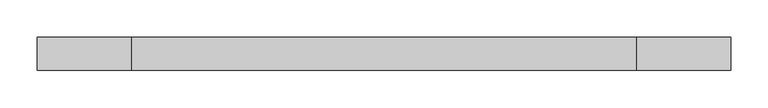
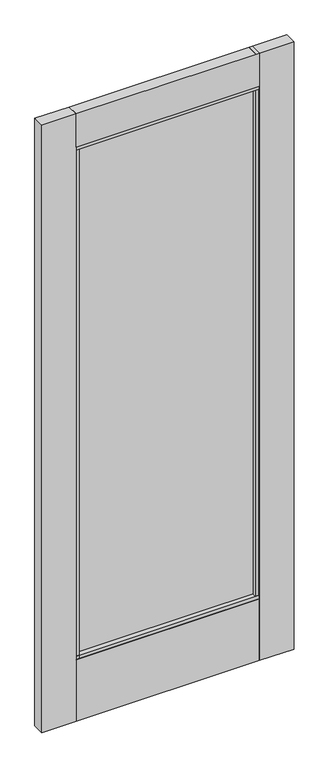
"""IFC4 building model written with IfcOpenShell, lengths in millimetres: plate geometry."""

import ifcopenshell
import ifcopenshell.guid

model = None  # the IFC model being written
_history = None  # IfcOwnerHistory: only IFC2X3 demands one
_inside = {}  # id of a spatial element -> (the spatial element, [elements in it])
_under = {}  # id of a project, library or spatial element -> (it, [spatial elements below it])
_declared = {}  # id of a project -> (the project, [libraries it declares])
_typed = {}  # id of a type object -> (the type object, [elements of that type])
_made_of = {}  # id of a material, layer set ... -> (it, [elements and type objects made of it])


def new_model(schema):
    """Start an empty IFC model of exactly this schema.

    Asked for "IFC4X3", IfcOpenShell would pick the latest addendum, in which some entities
    have other attributes; the version numbers below select the first issue.
    IFC2X3 requires an IfcOwnerHistory on every rooted entity: one is made here for all.
    """
    global model, _history
    if schema == "IFC4X3":
        model = ifcopenshell.file(schema_version=(4, 3, 0, 0))
    else:
        model = ifcopenshell.file(schema=schema)
    _inside.clear()
    _under.clear()
    _declared.clear()
    _typed.clear()
    _made_of.clear()
    _history = None
    if model.schema == "IFC2X3":
        org = make("IfcOrganization", Name="unknown")
        user = make(
            "IfcPersonAndOrganization",
            ThePerson=make("IfcPerson", FamilyName="unknown"),
            TheOrganization=org,
        )
        app = make(
            "IfcApplication",
            ApplicationDeveloper=org,
            Version="unknown",
            ApplicationFullName="unknown",
            ApplicationIdentifier="unknown",
        )
        _history = make(
            "IfcOwnerHistory",
            OwningUser=user,
            OwningApplication=app,
            ChangeAction="ADDED",
            CreationDate=0,
        )
    return model


def make(cls, **values):
    """One entity of the class cls with the attributes given. An attribute that is None is left unset."""
    return model.create_entity(
        cls, **{name: value for name, value in values.items() if value is not None}
    )


def rooted(cls, **values):
    """An entity with a GlobalId (a new one), such as an element, a storey or a relation."""
    return make(cls, GlobalId=ifcopenshell.guid.new(), OwnerHistory=_history, **values)


def si_unit(unit_type, name, prefix=None):
    """IfcSIUnit, for example si_unit("LENGTHUNIT", "METRE", prefix="MILLI")."""
    return make("IfcSIUnit", UnitType=unit_type, Prefix=prefix, Name=name)


def assignment(units):
    """IfcUnitAssignment: the units of a project."""
    return None if units is None else make("IfcUnitAssignment", Units=units)


def point(xyz):
    """IfcCartesianPoint."""
    return None if xyz is None else make("IfcCartesianPoint", Coordinates=xyz)


def direction(xyz):
    """IfcDirection."""
    return None if xyz is None else make("IfcDirection", DirectionRatios=xyz)


def frame(location, z_axis=None, x_axis=None):
    """IfcAxis2Placement3D, a coordinate frame: its origin and axes. An axis left out is left unset."""
    return make(
        "IfcAxis2Placement3D",
        Location=point(location),
        Axis=direction(z_axis),
        RefDirection=direction(x_axis),
    )


def origin():
    """The frame at (0, 0, 0) with its axes left unset."""
    return frame((0.0, 0.0, 0.0))


def place(relative_to, where):
    """IfcLocalPlacement: puts the frame where relative to a parent placement (None: the world)."""
    return make(
        "IfcLocalPlacement", PlacementRelTo=relative_to, RelativePlacement=where
    )


def context(
    kind, dimensions, precision=None, world=None, true_north=None, identifier=None
):
    """IfcGeometricRepresentationContext, for example the 3D "Model" context."""
    return make(
        "IfcGeometricRepresentationContext",
        ContextIdentifier=identifier,
        ContextType=kind,
        CoordinateSpaceDimension=dimensions,
        Precision=precision,
        WorldCoordinateSystem=world,
        TrueNorth=true_north,
    )


def project(units=None, contexts=None):
    """IfcProject with its units and contexts."""
    return rooted(
        "IfcProject",
        Name="project",
        RepresentationContexts=contexts,
        UnitsInContext=assignment(units),
    )


def spatial(cls, under=None, at=None, **own):
    """A site, building, storey or space (cls), placed at a placement, below another one or the project."""
    s = rooted(cls, ObjectPlacement=at, **own)
    if under is not None:
        _under.setdefault(under.id(), (under, []))[1].append(s)
    return s


def polyline(points):
    """IfcPolyline through the points."""
    return make("IfcPolyline", Points=[point(p) for p in points])


def outline(outer, holes=None, kind="AREA"):
    """IfcArbitraryClosedProfileDef: a profile drawn as a closed curve; with holes, ...WithVoids."""
    if holes is None:
        return make("IfcArbitraryClosedProfileDef", ProfileType=kind, OuterCurve=outer)
    return make(
        "IfcArbitraryProfileDefWithVoids",
        ProfileType=kind,
        OuterCurve=outer,
        InnerCurves=holes,
    )


def extrude(swept, where, along, depth):
    """IfcExtrudedAreaSolid: the profile swept, set in the frame where, extruded along a direction by depth."""
    return make(
        "IfcExtrudedAreaSolid",
        SweptArea=swept,
        Position=where,
        ExtrudedDirection=direction(along),
        Depth=depth,
    )


def shape(context_of_items, identifier, shape_type, items):
    """IfcShapeRepresentation: the items that make up one representation, for example the "Body"."""
    return make(
        "IfcShapeRepresentation",
        ContextOfItems=context_of_items,
        RepresentationIdentifier=identifier,
        RepresentationType=shape_type,
        Items=items,
    )


def source(mapping_origin, context_of_items, identifier, shape_type, items):
    """IfcRepresentationMap: a shape defined once, which mapped items show again and again."""
    return make(
        "IfcRepresentationMap",
        MappingOrigin=mapping_origin,
        MappedRepresentation=shape(context_of_items, identifier, shape_type, items),
    )


def transform(
    local_origin,
    x_axis=None,
    y_axis=None,
    z_axis=None,
    scale=None,
    scale2=None,
    scale3=None,
    uniform=True,
):
    """IfcCartesianTransformationOperator3D, or its non-uniform kind. x_axis, y_axis, z_axis: its Axis1, 2, 3."""
    if uniform:
        return make(
            "IfcCartesianTransformationOperator3D",
            Axis1=direction(x_axis),
            Axis2=direction(y_axis),
            LocalOrigin=point(local_origin),
            Scale=scale,
            Axis3=direction(z_axis),
        )
    return make(
        "IfcCartesianTransformationOperator3DnonUniform",
        Axis1=direction(x_axis),
        Axis2=direction(y_axis),
        LocalOrigin=point(local_origin),
        Scale=scale,
        Axis3=direction(z_axis),
        Scale2=scale2,
        Scale3=scale3,
    )


def mapped(mapping_source, mapping_target):
    """IfcMappedItem: shows the shape of a source again, moved by a transform."""
    return make(
        "IfcMappedItem", MappingSource=mapping_source, MappingTarget=mapping_target
    )


def made_of(thing, what):
    """Note that an element or type object is made of a material, layer set ...; save() writes the relation."""
    if what is not None:
        _made_of.setdefault(what.id(), (what, []))[1].append(thing)
    return thing


def element(
    cls,
    number,
    at=None,
    inside=None,
    cuts=None,
    type_object=None,
    material=None,
    context=None,
    identifier="Body",
    shape_type=None,
    held_by="IfcProductDefinitionShape",
    body=None,
    shapes=None,
    **own,
):
    """One element of the class cls, such as IfcWall. Its Tag is "e" and its number.

    at: its placement. inside: the storey or other place that contains it. cuts: it is an
    opening in that element (IfcRelVoidsElement). A single representation is given by context,
    identifier, shape_type and body (its items); several are given by shapes. held_by: the class
    of the entity that holds the representations. save() writes the other relations.
    """
    e = rooted(cls, Tag="e%d" % number, ObjectPlacement=at, **own)
    if body is not None:
        shapes = [shape(context, identifier, shape_type, body)]
    if shapes is not None:
        e.Representation = make(held_by, Representations=shapes)
    if inside is not None:
        _inside.setdefault(inside.id(), (inside, []))[1].append(e)
    if cuts is not None:
        rooted(
            "IfcRelVoidsElement", RelatingBuildingElement=cuts, RelatedOpeningElement=e
        )
    if type_object is not None:
        _typed.setdefault(type_object.id(), (type_object, []))[1].append(e)
    return made_of(e, material)


def aggregate(whole, parts):
    """IfcRelAggregates: a whole, such as a stair, and the parts it consists of."""
    return rooted("IfcRelAggregates", RelatingObject=whole, RelatedObjects=parts)


def save(model, path):
    """Write the relations noted so far, then the file.

    IfcRelAggregates (storeys below a building ...), IfcRelContainedInSpatialStructure (elements
    in a storey), IfcRelDefinesByType, IfcRelAssociatesMaterial and IfcRelDeclares: one each for
    every whole, place, type object, material and project.
    """
    for whole, parts in _under.values():
        aggregate(whole, parts)
    for where, things in _inside.values():
        rooted(
            "IfcRelContainedInSpatialStructure",
            RelatedElements=things,
            RelatingStructure=where,
        )
    for kind, things in _typed.values():
        rooted("IfcRelDefinesByType", RelatedObjects=things, RelatingType=kind)
    for what, things in _made_of.values():
        rooted("IfcRelAssociatesMaterial", RelatedObjects=things, RelatingMaterial=what)
    for by, libraries in _declared.values():
        rooted("IfcRelDeclares", RelatingContext=by, RelatedDefinitions=libraries)
    model.write(path)


def plate_4166e9ba(model_context):
    return source(origin(), model_context, "Body", "SweptSolid", [
        extrude(outline(polyline([(-15.875, 2396.6969027), (28.575, 2396.6969027), (28.575, 2266.5396827), (27.0151195, 2266.5396827), (27.0151195, 2253.8368887), (13.3499195, 2253.8368887), (13.3499195, 2265.7431387), (-0.3402584, 2265.7431387), (-0.3402584, 2253.8368887), (-14.0054584, 2253.8368887), (-14.0054584, 2266.5396827), (-15.875, 2266.5396827), (-15.875, 2396.6969027)]), holes=[polyline([(26.19375, 2268.9209327), (26.19375, 2394.3156527), (-13.49375, 2394.3156527), (-13.49375, 2268.9209327), (-11.6242084, 2268.9209327), (-11.6242084, 2256.2181387), (-2.7215084, 2256.2181387), (-2.7215084, 2268.1243887), (15.7311695, 2268.1243887), (15.7311695, 2256.2181387), (24.6338695, 2256.2181387), (24.6338695, 2268.9209327), (26.19375, 2268.9209327)])]), frame((-339.4976607, 0.0, 0.0), z_axis=(1.0, 0.0, 0.0), x_axis=(0.0, 1.0, 0.0)), (0.0, 0.0, 1.0), 679.005437),
        extrude(outline(polyline([(-467.3047013, 28.575), (-339.4976607, 28.575), (-339.4976607, 27.0151195), (-326.7976607, 27.0151195), (-326.7976607, -14.0054584), (-339.4976607, -14.0054584), (-339.4976607, -15.875), (-467.3047013, -15.875), (-467.3047013, 28.575)])), frame((0.0, 0.0, 17.4625), z_axis=(0.0, 0.0, 1.0), x_axis=(1.0, 0.0, 0.0)), (0.0, 0.0, 1.0), 2379.2344027),
        extrude(outline(polyline([(-335.189197, 3.3883145), (-335.189197, 9.7383145), (331.5888188, 9.7383145), (331.5888188, 3.3883145), (-335.189197, 3.3883145)])), frame((0.0, 0.0, 263.906), z_axis=(0.0, 0.0, 1.0), x_axis=(1.0, 0.0, 0.0)), (0.0, 0.0, 1.0), 1997.8683887),
        extrude(outline(polyline([(467.3047013, 28.575), (467.3047013, -15.875), (339.5077763, -15.875), (339.5077763, -11.7697968), (326.8077763, -11.7697968), (326.8077763, 27.0151195), (339.5077763, 27.0151195), (339.5077763, 28.575), (467.3047013, 28.575)])), frame((0.0, 0.0, 17.4625), z_axis=(0.0, 0.0, 1.0), x_axis=(1.0, 0.0, 0.0)), (0.0, 0.0, 1.0), 2379.2344027),
        extrude(outline(polyline([(-14.0054584, 271.4298836), (27.0151195, 271.4298836), (27.0151195, 258.7303916), (28.575, 258.7303916), (28.575, 17.4625), (-15.875, 17.4625), (-15.875, 258.7303916), (-14.0054584, 258.7303916), (-14.0054584, 271.4298836)])), frame((-339.4976607, 0.0, 0.0), z_axis=(1.0, 0.0, 0.0), x_axis=(0.0, 1.0, 0.0)), (0.0, 0.0, 1.0), 679.005437),
    ])


if __name__ == "__main__":
    model = new_model("IFC4")
    model_context = context("Model", 3, world=origin())
    ifc_project = project(units=[si_unit("LENGTHUNIT", "METRE", prefix="MILLI")], contexts=[model_context])
    site = spatial("IfcSite", under=ifc_project)
    building = spatial("IfcBuilding", under=site)
    placement = place(None, origin())
    plate_shape = plate_4166e9ba(model_context)
    element("IfcPlate", 1, at=placement, inside=building, context=model_context, shape_type="MappedRepresentation", body=[
        mapped(plate_shape, transform((0.0, 0.0, 0.0), x_axis=(1.0, 0.0, 0.0), y_axis=(0.0, 1.0, 0.0), z_axis=(0.0, 0.0, 1.0))),
    ])
    save(model, "model.ifc")
